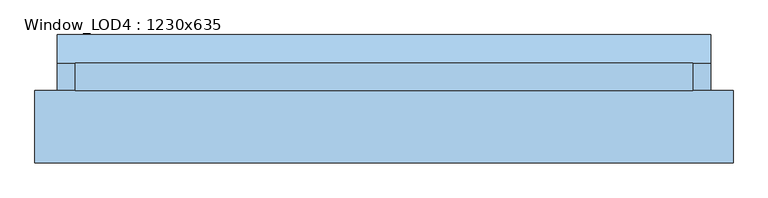
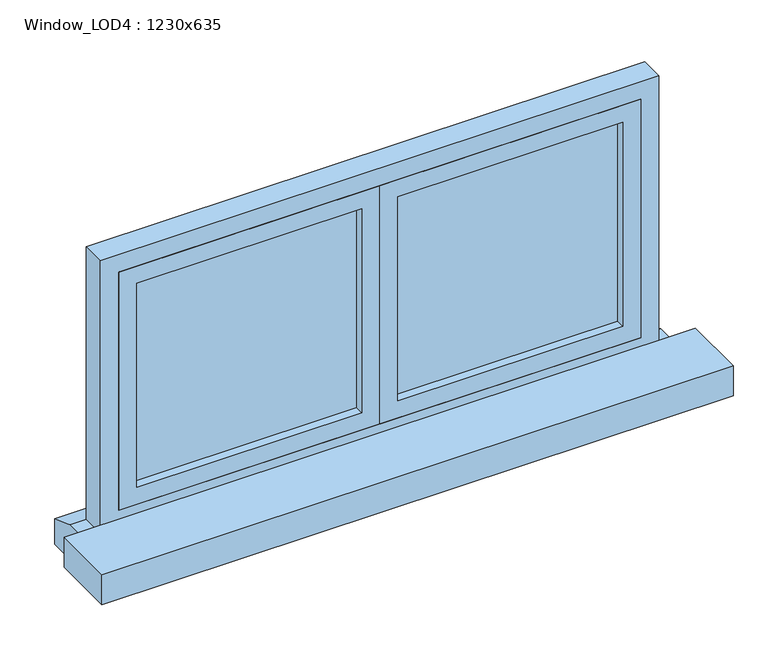
"""IFC4 building model written with IfcOpenShell, lengths in millimetres: window geometry, Window_LOD4 : 1230x635."""

from ifc_helpers import new_model, si_unit, frame, origin, place, context, project, spatial, polyline, outline, extrude, source, transform, mapped, element, save


def window_lod4_1230x635_6fe8929d(model_context):
    return source(origin(), model_context, "Body", "SweptSolid", [
        extrude(outline(polyline([(535.0000246, 92.5), (40.0, 92.5), (40.0, 107.5), (535.0000246, 107.5), (535.0000246, 92.5)])), frame((0.0, 0.0, 880.0), z_axis=(0.0, 0.0, 1.0), x_axis=(1.0, 0.0, 0.0)), (0.0, 0.0, 1.0), 475.0000254),
        extrude(outline(polyline([(1395.0000254, 0.0), (840.0, 0.0), (840.0, 575.0000246), (1395.0000254, 575.0000246), (1395.0000254, 0.0)]), holes=[polyline([(1355.0000254, 40.0), (1355.0000254, 535.0000246), (880.0, 535.0000246), (880.0, 40.0), (1355.0000254, 40.0)])]), frame((0.0, 72.5, 0.0), z_axis=(0.0, 1.0, 0.0), x_axis=(0.0, 0.0, 1.0)), (0.0, 0.0, 1.0), 55.0),
        extrude(outline(polyline([(-40.0, 92.5), (-535.0000246, 92.5), (-535.0000246, 107.5), (-40.0, 107.5), (-40.0, 92.5)])), frame((0.0, 0.0, 880.0), z_axis=(0.0, 0.0, 1.0), x_axis=(1.0, 0.0, 0.0)), (0.0, 0.0, 1.0), 475.0000254),
        extrude(outline(polyline([(1395.0000254, -575.0000246), (840.0, -575.0000246), (840.0, 0.0), (1395.0000254, 0.0), (1395.0000254, -575.0000246)]), holes=[polyline([(1355.0000254, -535.0000246), (1355.0000254, -40.0), (880.0, -40.0), (880.0, -535.0000246), (1355.0000254, -535.0000246)])]), frame((0.0, 72.5, 0.0), z_axis=(0.0, 1.0, 0.0), x_axis=(0.0, 0.0, 1.0)), (0.0, 0.0, 1.0), 55.0),
        extrude(outline(polyline([(127.5, 800.0), (184.0071689, 780.0), (184.0071689, 720.0), (72.5, 720.0), (72.5, 800.0), (127.5, 800.0)])), frame((-650.8669325, 0.0, 0.0), z_axis=(1.0, 0.0, 0.0), x_axis=(0.0, 1.0, 0.0)), (0.0, 0.0, 1.0), 1301.733865),
        extrude(outline(polyline([(1435.0000254, -615.0000246), (800.0, -615.0000246), (800.0, 615.0000246), (1435.0000254, 615.0000246), (1435.0000254, -615.0000246)]), holes=[polyline([(1395.0000254, -575.0000246), (1395.0000254, 575.0000246), (840.0, 575.0000246), (840.0, -575.0000246), (1395.0000254, -575.0000246)])]), frame((0.0, 72.5, 0.0), z_axis=(0.0, 1.0, 0.0), x_axis=(0.0, 0.0, 1.0)), (0.0, 0.0, 1.0), 55.0),
        extrude(outline(polyline([(695.0000246, 72.5), (695.0000246, -71.845219), (-695.0000246, -71.845219), (-695.0000246, 72.5), (695.0000246, 72.5)])), frame((0.0, 0.0, 750.0), z_axis=(0.0, 0.0, 1.0), x_axis=(1.0, 0.0, 0.0)), (0.0, 0.0, 1.0), 70.0),
    ])


if __name__ == "__main__":
    model = new_model("IFC4")
    model_context = context("Model", 3, world=origin())
    ifc_project = project(units=[si_unit("LENGTHUNIT", "METRE", prefix="MILLI")], contexts=[model_context])
    site = spatial("IfcSite", under=ifc_project)
    building = spatial("IfcBuilding", under=site)
    placement = place(None, origin())
    window_lod4_1230x635_shape = window_lod4_1230x635_6fe8929d(model_context)
    element("IfcWindow", 1, ObjectType="Window_LOD4 : 1230x635", at=placement, inside=building, context=model_context, shape_type="MappedRepresentation", body=[
        mapped(window_lod4_1230x635_shape, transform((0.0, 0.0, 0.0), x_axis=(1.0, 0.0, 0.0), y_axis=(0.0, 1.0, 0.0), z_axis=(0.0, 0.0, 1.0))),
    ])
    save(model, "model.ifc")
